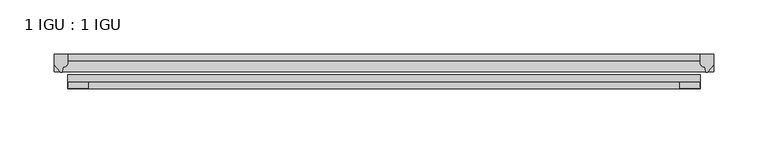
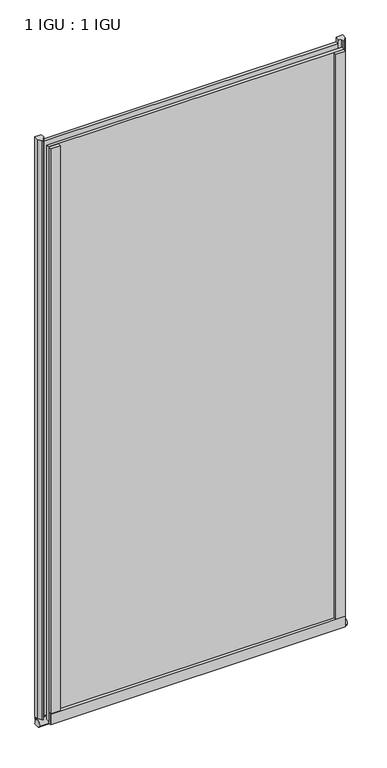
"""IFC4 building model written with IfcOpenShell, lengths in millimetres: plate geometry, 1 IGU : 1 IGU."""

from ifc_helpers import new_model, si_unit, point, frame, frame_2d, origin, place, context, project, spatial, polyline, circle_curve, ellipse_curve, trimmed, segment, composite_curve, outline, extrude, source, transform, mapped, element, save
from ifc_brep_helpers import plane_surface, revolved_surface, extruded_surface, advanced_brep


def plate_1_igu_1_igu_ea402c3a(model_context):
    return source(origin(), model_context, "Body", "SolidModel", [
        extrude(outline(polyline([(292.1, 0.0021347), (292.1, -6.2992), (-292.1, -6.2992), (-292.1, 0.0021347), (292.1, 0.0021347)])), frame((0.0, 0.0, -19.05), z_axis=(0.0, 0.0, 1.0), x_axis=(1.0, 0.0, 0.0)), (0.0, 0.0, 1.0), 1203.325),
        extrude(outline(polyline([(-292.1, -19.0986653), (292.1, -19.0986653), (292.1, -25.3978653), (-292.1, -25.3978653), (-292.1, -19.0986653)])), frame((0.0, 0.0, -19.05), z_axis=(0.0, 0.0, 1.0), x_axis=(1.0, 0.0, 0.0)), (0.0, 0.0, 1.0), 1203.325),
        advanced_brep(
        [(304.8, -2.9334208, -29.3692082), (304.8, -15.7658436, -30.8313288), (304.8, -6.7904952, -34.925), (304.8, 0.0, -34.925), (304.8, 0.0, -22.225), (304.8, -2.5187477, -22.225), (-304.8, -2.9073519, -29.3720514), (-304.8, -2.5187477, -22.225), (-304.8, 0.0, -22.225), (-304.8, 0.0, -34.925), (-304.8, -6.7904952, -34.925), (-304.8, -15.7658436, -30.8313288)],
        [
            (0, 1, ellipse_curve(frame((304.8, -9.5065066, -28.575), z_axis=(1.0, 0.0, 0.0), x_axis=(0.0, 0.0, -1.0)), 6.9638038, 6.6162554)),
            (1, 2, ellipse_curve(frame((304.8, -9.5065066, -28.575), z_axis=(1.0, 0.0, 0.0), x_axis=(0.0, 0.0, -1.0)), 6.9638038, 6.6162554)),
            (2, 3),
            (3, 4, circle_curve(frame((304.8, 24.1576838, -28.575), z_axis=(-1.0, 0.0, 0.0), x_axis=(0.0, 0.0, 1.0)), 24.9783143)),
            (4, 5),
            (5, 0, circle_curve(frame((304.8, -68.4358767, -22.225), z_axis=(-1.0, 0.0, 0.0), x_axis=(0.0, 0.0, 1.0)), 65.917129)),
            (6, 7, circle_curve(frame((-304.8, -68.4358767, -22.225), z_axis=(1.0, 0.0, 0.0), x_axis=(0.0, 0.0, 1.0)), 65.917129)),
            (7, 8),
            (8, 9, circle_curve(frame((-304.8, 24.1576838, -28.575), z_axis=(1.0, 0.0, 0.0), x_axis=(0.0, 0.0, 1.0)), 24.9783143)),
            (9, 10),
            (10, 11, ellipse_curve(frame((-304.8, -9.5065066, -28.575), z_axis=(-1.0, 0.0, 0.0), x_axis=(0.0, 0.0, -1.0)), 6.9638038, 6.6162554)),
            (11, 6, ellipse_curve(frame((-304.8, -9.5065066, -28.575), z_axis=(-1.0, 0.0, 0.0), x_axis=(0.0, 0.0, -1.0)), 6.9638038, 6.6162554)),
            (0, 6),
            (11, 1),
            (10, 2),
            (9, 3),
            (8, 4),
            (7, 5),
        ],
        [
            plane_surface(frame((304.8, 0.0, -28.575), z_axis=(1.0, 0.0, 0.0), x_axis=(0.0, 1.0, 0.0))),
            plane_surface(frame((-304.8, 0.0, -28.575), z_axis=(-1.0, 0.0, 0.0), x_axis=(0.0, 1.0, 0.0))),
            extruded_surface(trimmed(ellipse_curve(frame((-304.8, -9.5065066, -28.575), z_axis=(1.0, 0.0, 0.0), x_axis=(0.0, 0.0, -1.0)), 6.9638038, 6.6162554), [point((-304.8, -2.9334208, -29.3692082))], [point((-304.8, -15.7658436, -30.8313288))], True, "CARTESIAN"), (609.6, 0.0, 0.0), 609.6),
            extruded_surface(trimmed(ellipse_curve(frame((-304.8, -9.5065066, -28.575), z_axis=(1.0, 0.0, 0.0), x_axis=(0.0, 0.0, -1.0)), 6.9638038, 6.6162554), [point((-304.8, -15.7658436, -30.8313288))], [point((-304.8, -6.7904952, -34.925))], True, "CARTESIAN"), (609.6, 0.0, 0.0), 609.6),
            plane_surface(frame((304.8, -6.7904952, -34.925), z_axis=(0.0, 0.0, -1.0), x_axis=(-1.0, 0.0, 0.0))),
            revolved_surface(polyline([(-304.8, 24.1576838, -3.5966856999999983), (304.8, 24.1576838, -3.5966856999999983)]), (304.8, 24.1576838, -28.575), (-1.0, 0.0, 0.0)),
            plane_surface(frame((304.8, 0.0, -22.225), z_axis=(0.0, 0.0, 1.0), x_axis=(-1.0, 0.0, 0.0))),
            revolved_surface(polyline([(-304.8, -68.4358767, 43.692129), (304.8, -68.4358767, 43.692129)]), (304.8, -68.4358767, -22.225), (-1.0, 0.0, 0.0)),
        ],
        [
            (0, [[1, 2, 3, 4, 5, 6]]),
            (1, [[7, 8, 9, 10, 11, 12]]),
            (2, [[-1, 13, -12, 14]]),
            (3, [[-2, -14, -11, 15]]),
            (4, [[-3, -15, -10, 16]]),
            (5, [[-4, -16, -9, 17]]),
            (6, [[-5, -17, -8, 18]]),
            (7, [[-6, -18, -7, -13]]),
        ],
    ),
        extrude(outline(composite_curve([segment(polyline([(304.8, 0.0), (304.8, -9.7395025), (299.2337691, -16.3730781)]), True, "CONTINUOUS"), segment(trimmed(circle_curve(frame_2d((298.2800941, -15.7728374)), 1.1268473), [point((299.2337691, -16.3730781))], [point((297.1791412, -16.0130197))], False, "CARTESIAN"), True, "CONTINUOUS"), segment(polyline([(297.1791412, -16.0130197), (296.1989498, -11.7377885)]), True, "CONTINUOUS"), segment(trimmed(circle_curve(frame_2d((296.0714979, -7.7683362)), 3.9714979), [point((296.1989498, -11.7377885))], [point((292.1001786, -7.8060014))], False, "CARTESIAN"), True, "CONTINUOUS"), segment(polyline([(292.1001786, -7.8060014), (292.1001786, 0.0), (304.8, 0.0)]), True, "CONTINUOUS")], self_intersect=False)), frame((0.0, 0.0, -19.05), z_axis=(0.0, 0.0, 1.0), x_axis=(1.0, 0.0, 0.0)), (0.0, 0.0, 1.0), 1213.6374),
        extrude(outline(composite_curve([segment(polyline([(-292.1, 8.8e-06), (-292.1, -7.7683362)]), True, "CONTINUOUS"), segment(trimmed(circle_curve(frame_2d((-296.0714979, -7.7683362)), 3.9714979), [point((-292.1, -7.7683362))], [point((-296.1989498, -11.7377885))], False, "CARTESIAN"), True, "CONTINUOUS"), segment(polyline([(-296.1989498, -11.7377885), (-297.1789843, -16.012436)]), True, "CONTINUOUS"), segment(trimmed(circle_curve(frame_2d((-298.2801933, -15.7723555)), 1.1270758), [point((-297.1789843, -16.012436))], [point((-299.2340327, -16.372764))], False, "CARTESIAN"), True, "CONTINUOUS"), segment(polyline([(-299.2340327, -16.372764), (-304.8, -9.7395025), (-304.8, 8.8e-06), (-292.1, 8.8e-06)]), True, "CONTINUOUS")], self_intersect=False)), frame((0.0, 0.0, -19.05), z_axis=(0.0, 0.0, 1.0), x_axis=(1.0, 0.0, 0.0)), (0.0, 0.0, 1.0), 1213.6374),
        extrude(outline(composite_curve([segment(polyline([(-31.75, 0.0), (-25.4, 0.0), (-25.4, -22.225)]), True, "CONTINUOUS"), segment(trimmed(circle_curve(frame_2d((-28.575, -28.9113452)), 7.4018806), [point((-25.4, -22.225))], [point((-31.75, -22.225))], True, "CARTESIAN"), True, "CONTINUOUS"), segment(polyline([(-31.75, -22.225), (-31.75, 0.0)]), True, "CONTINUOUS")], self_intersect=False)), frame((-292.1, 0.0, 0.0), z_axis=(1.0, 0.0, 0.0), x_axis=(0.0, 1.0, 0.0)), (0.0, 0.0, 1.0), 584.2),
        extrude(outline(composite_curve([segment(polyline([(273.05, -25.4), (292.1, -25.4)]), True, "CONTINUOUS"), segment(trimmed(circle_curve(frame_2d((301.5661507, -28.575)), 9.9844196), [point((292.1, -25.4))], [point((292.1, -31.75))], True, "CARTESIAN"), True, "CONTINUOUS"), segment(polyline([(292.1, -31.75), (273.05, -31.75), (273.05, -25.4)]), True, "CONTINUOUS")], self_intersect=False)), frame((0.0, 0.0, -19.05), z_axis=(0.0, 0.0, 1.0), x_axis=(1.0, 0.0, 0.0)), (0.0, 0.0, 1.0), 1203.325),
        extrude(outline(composite_curve([segment(trimmed(circle_curve(frame_2d((-301.5661507, -28.575)), 9.9844196), [point((-292.1, -31.75))], [point((-292.1, -25.4))], True, "CARTESIAN"), True, "CONTINUOUS"), segment(polyline([(-292.1, -25.4), (-273.05, -25.4), (-273.05, -31.75), (-292.1, -31.75)]), True, "CONTINUOUS")], self_intersect=False)), frame((0.0, 0.0, -19.05), z_axis=(0.0, 0.0, 1.0), x_axis=(1.0, 0.0, 0.0)), (0.0, 0.0, 1.0), 1203.325),
    ])


if __name__ == "__main__":
    model = new_model("IFC4")
    model_context = context("Model", 3, world=origin())
    ifc_project = project(units=[si_unit("LENGTHUNIT", "METRE", prefix="MILLI")], contexts=[model_context])
    site = spatial("IfcSite", under=ifc_project)
    building = spatial("IfcBuilding", under=site)
    placement = place(None, origin())
    plate_1_igu_1_igu_shape = plate_1_igu_1_igu_ea402c3a(model_context)
    element("IfcPlate", 1, ObjectType="1 IGU : 1 IGU", at=placement, inside=building, context=model_context, shape_type="MappedRepresentation", body=[
        mapped(plate_1_igu_1_igu_shape, transform((0.0, 0.0, 0.0), x_axis=(1.0, 0.0, 0.0), y_axis=(0.0, 1.0, 0.0), z_axis=(0.0, 0.0, 1.0))),
    ])
    save(model, "model.ifc")
